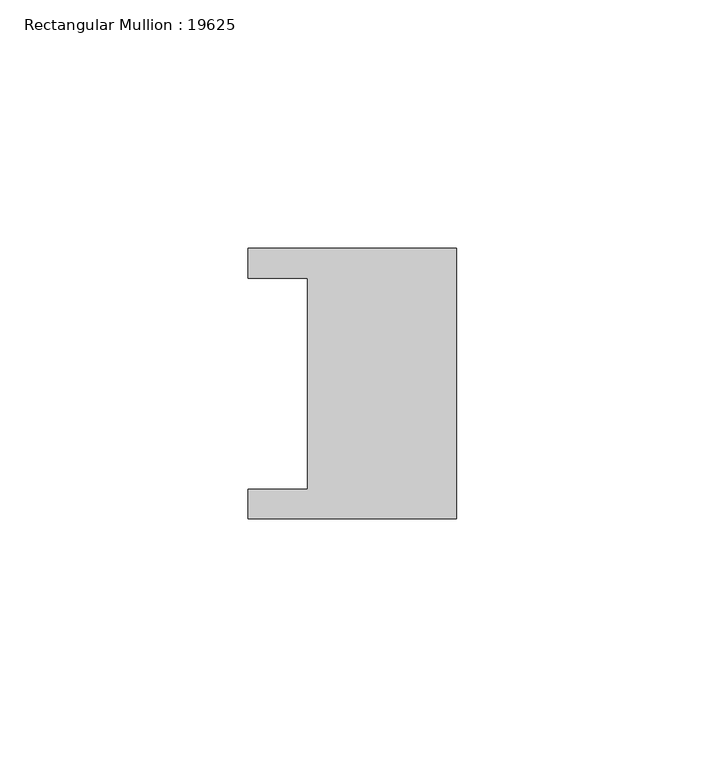
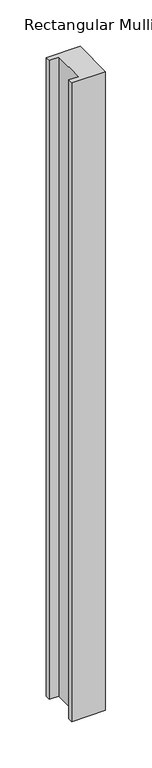
"""IFC4 building model written with IfcOpenShell, lengths in millimetres: member geometry, Rectangular Mullion : 19625."""

from ifc_helpers import new_model, si_unit, frame, origin, place, context, project, spatial, polyline, outline, extrude, source, transform, mapped, element, save


def rectangular_mullion_19625_ebf9a7e1(model_context):
    return source(origin(), model_context, "Body", "SweptSolid", [
        extrude(outline(polyline([(0.0, 27.25), (0.0, -27.25), (-42.0, -27.25), (-42.0, -21.25), (-30.0, -21.25), (-30.0, 21.25), (-42.0, 21.25), (-42.0, 27.25), (0.0, 27.25)])), frame((0.0, 0.0, -840.0), z_axis=(0.0, 0.0, 1.0), x_axis=(1.0, 0.0, 0.0)), (0.0, 0.0, 1.0), 840.0),
    ])


if __name__ == "__main__":
    model = new_model("IFC4")
    model_context = context("Model", 3, world=origin())
    ifc_project = project(units=[si_unit("LENGTHUNIT", "METRE", prefix="MILLI")], contexts=[model_context])
    site = spatial("IfcSite", under=ifc_project)
    building = spatial("IfcBuilding", under=site)
    placement = place(None, origin())
    rectangular_mullion_19625_shape = rectangular_mullion_19625_ebf9a7e1(model_context)
    element("IfcMember", 1, ObjectType="Rectangular Mullion : 19625", at=placement, inside=building, context=model_context, shape_type="MappedRepresentation", body=[
        mapped(rectangular_mullion_19625_shape, transform((0.0, 0.0, 0.0), x_axis=(1.0, 0.0, 0.0), y_axis=(0.0, 1.0, 0.0), z_axis=(0.0, 0.0, 1.0))),
    ])
    save(model, "model.ifc")
